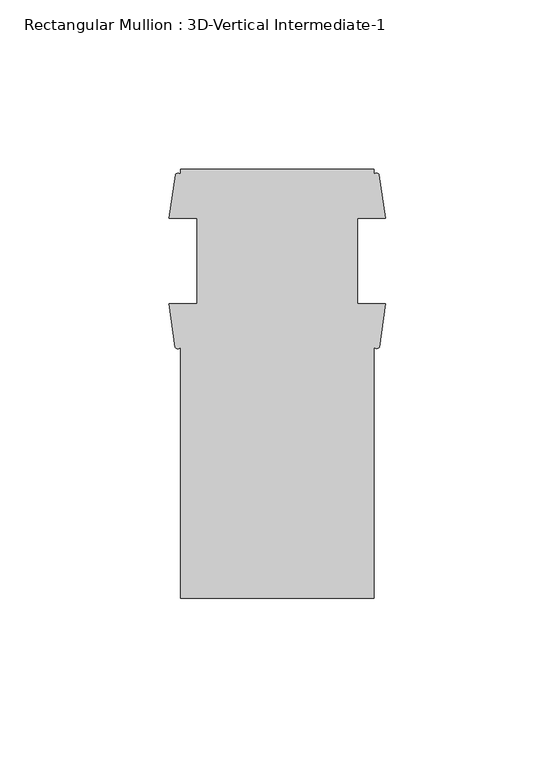
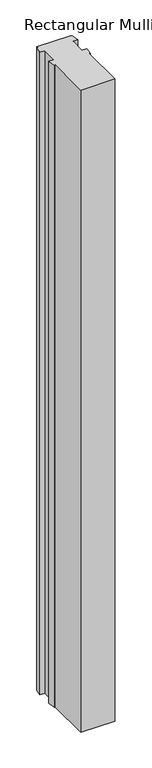
"""IFC4 building model written with IfcOpenShell, lengths in millimetres: member geometry, Rectangular Mullion : 3D-Vertical Intermediate-1."""

import ifcopenshell
import ifcopenshell.guid

model = None  # the IFC model being written
_history = None  # IfcOwnerHistory: only IFC2X3 demands one
_inside = {}  # id of a spatial element -> (the spatial element, [elements in it])
_under = {}  # id of a project, library or spatial element -> (it, [spatial elements below it])
_declared = {}  # id of a project -> (the project, [libraries it declares])
_typed = {}  # id of a type object -> (the type object, [elements of that type])
_made_of = {}  # id of a material, layer set ... -> (it, [elements and type objects made of it])


def new_model(schema):
    """Start an empty IFC model of exactly this schema.

    Asked for "IFC4X3", IfcOpenShell would pick the latest addendum, in which some entities
    have other attributes; the version numbers below select the first issue.
    IFC2X3 requires an IfcOwnerHistory on every rooted entity: one is made here for all.
    """
    global model, _history
    if schema == "IFC4X3":
        model = ifcopenshell.file(schema_version=(4, 3, 0, 0))
    else:
        model = ifcopenshell.file(schema=schema)
    _inside.clear()
    _under.clear()
    _declared.clear()
    _typed.clear()
    _made_of.clear()
    _history = None
    if model.schema == "IFC2X3":
        org = make("IfcOrganization", Name="unknown")
        user = make(
            "IfcPersonAndOrganization",
            ThePerson=make("IfcPerson", FamilyName="unknown"),
            TheOrganization=org,
        )
        app = make(
            "IfcApplication",
            ApplicationDeveloper=org,
            Version="unknown",
            ApplicationFullName="unknown",
            ApplicationIdentifier="unknown",
        )
        _history = make(
            "IfcOwnerHistory",
            OwningUser=user,
            OwningApplication=app,
            ChangeAction="ADDED",
            CreationDate=0,
        )
    return model


def make(cls, **values):
    """One entity of the class cls with the attributes given. An attribute that is None is left unset."""
    return model.create_entity(
        cls, **{name: value for name, value in values.items() if value is not None}
    )


def rooted(cls, **values):
    """An entity with a GlobalId (a new one), such as an element, a storey or a relation."""
    return make(cls, GlobalId=ifcopenshell.guid.new(), OwnerHistory=_history, **values)


def si_unit(unit_type, name, prefix=None):
    """IfcSIUnit, for example si_unit("LENGTHUNIT", "METRE", prefix="MILLI")."""
    return make("IfcSIUnit", UnitType=unit_type, Prefix=prefix, Name=name)


def assignment(units):
    """IfcUnitAssignment: the units of a project."""
    return None if units is None else make("IfcUnitAssignment", Units=units)


def point(xyz):
    """IfcCartesianPoint."""
    return None if xyz is None else make("IfcCartesianPoint", Coordinates=xyz)


def direction(xyz):
    """IfcDirection."""
    return None if xyz is None else make("IfcDirection", DirectionRatios=xyz)


def frame(location, z_axis=None, x_axis=None):
    """IfcAxis2Placement3D, a coordinate frame: its origin and axes. An axis left out is left unset."""
    return make(
        "IfcAxis2Placement3D",
        Location=point(location),
        Axis=direction(z_axis),
        RefDirection=direction(x_axis),
    )


def frame_2d(location, x_axis=None):
    """IfcAxis2Placement2D, a coordinate frame in the plane: its origin and x axis."""
    return make(
        "IfcAxis2Placement2D", Location=point(location), RefDirection=direction(x_axis)
    )


def origin():
    """The frame at (0, 0, 0) with its axes left unset."""
    return frame((0.0, 0.0, 0.0))


def place(relative_to, where):
    """IfcLocalPlacement: puts the frame where relative to a parent placement (None: the world)."""
    return make(
        "IfcLocalPlacement", PlacementRelTo=relative_to, RelativePlacement=where
    )


def context(
    kind, dimensions, precision=None, world=None, true_north=None, identifier=None
):
    """IfcGeometricRepresentationContext, for example the 3D "Model" context."""
    return make(
        "IfcGeometricRepresentationContext",
        ContextIdentifier=identifier,
        ContextType=kind,
        CoordinateSpaceDimension=dimensions,
        Precision=precision,
        WorldCoordinateSystem=world,
        TrueNorth=true_north,
    )


def project(units=None, contexts=None):
    """IfcProject with its units and contexts."""
    return rooted(
        "IfcProject",
        Name="project",
        RepresentationContexts=contexts,
        UnitsInContext=assignment(units),
    )


def spatial(cls, under=None, at=None, **own):
    """A site, building, storey or space (cls), placed at a placement, below another one or the project."""
    s = rooted(cls, ObjectPlacement=at, **own)
    if under is not None:
        _under.setdefault(under.id(), (under, []))[1].append(s)
    return s


def polyline(points):
    """IfcPolyline through the points."""
    return make("IfcPolyline", Points=[point(p) for p in points])


def circle_curve(where, radius):
    """IfcCircle in the frame where."""
    return make("IfcCircle", Position=where, Radius=radius)


def trimmed(basis, trim1, trim2, sense, master):
    """IfcTrimmedCurve: the piece of a basis curve between two trims."""
    return make(
        "IfcTrimmedCurve",
        BasisCurve=basis,
        Trim1=trim1,
        Trim2=trim2,
        SenseAgreement=sense,
        MasterRepresentation=master,
    )


def segment(curve, same_sense, transition):
    """IfcCompositeCurveSegment."""
    return make(
        "IfcCompositeCurveSegment",
        Transition=transition,
        SameSense=same_sense,
        ParentCurve=curve,
    )


def composite_curve(segments, self_intersect=None):
    """IfcCompositeCurve: segments joined end to end."""
    return make("IfcCompositeCurve", Segments=segments, SelfIntersect=self_intersect)


def outline(outer, holes=None, kind="AREA"):
    """IfcArbitraryClosedProfileDef: a profile drawn as a closed curve; with holes, ...WithVoids."""
    if holes is None:
        return make("IfcArbitraryClosedProfileDef", ProfileType=kind, OuterCurve=outer)
    return make(
        "IfcArbitraryProfileDefWithVoids",
        ProfileType=kind,
        OuterCurve=outer,
        InnerCurves=holes,
    )


def extrude(swept, where, along, depth):
    """IfcExtrudedAreaSolid: the profile swept, set in the frame where, extruded along a direction by depth."""
    return make(
        "IfcExtrudedAreaSolid",
        SweptArea=swept,
        Position=where,
        ExtrudedDirection=direction(along),
        Depth=depth,
    )


def shape(context_of_items, identifier, shape_type, items):
    """IfcShapeRepresentation: the items that make up one representation, for example the "Body"."""
    return make(
        "IfcShapeRepresentation",
        ContextOfItems=context_of_items,
        RepresentationIdentifier=identifier,
        RepresentationType=shape_type,
        Items=items,
    )


def source(mapping_origin, context_of_items, identifier, shape_type, items):
    """IfcRepresentationMap: a shape defined once, which mapped items show again and again."""
    return make(
        "IfcRepresentationMap",
        MappingOrigin=mapping_origin,
        MappedRepresentation=shape(context_of_items, identifier, shape_type, items),
    )


def transform(
    local_origin,
    x_axis=None,
    y_axis=None,
    z_axis=None,
    scale=None,
    scale2=None,
    scale3=None,
    uniform=True,
):
    """IfcCartesianTransformationOperator3D, or its non-uniform kind. x_axis, y_axis, z_axis: its Axis1, 2, 3."""
    if uniform:
        return make(
            "IfcCartesianTransformationOperator3D",
            Axis1=direction(x_axis),
            Axis2=direction(y_axis),
            LocalOrigin=point(local_origin),
            Scale=scale,
            Axis3=direction(z_axis),
        )
    return make(
        "IfcCartesianTransformationOperator3DnonUniform",
        Axis1=direction(x_axis),
        Axis2=direction(y_axis),
        LocalOrigin=point(local_origin),
        Scale=scale,
        Axis3=direction(z_axis),
        Scale2=scale2,
        Scale3=scale3,
    )


def mapped(mapping_source, mapping_target):
    """IfcMappedItem: shows the shape of a source again, moved by a transform."""
    return make(
        "IfcMappedItem", MappingSource=mapping_source, MappingTarget=mapping_target
    )


def made_of(thing, what):
    """Note that an element or type object is made of a material, layer set ...; save() writes the relation."""
    if what is not None:
        _made_of.setdefault(what.id(), (what, []))[1].append(thing)
    return thing


def element(
    cls,
    number,
    at=None,
    inside=None,
    cuts=None,
    type_object=None,
    material=None,
    context=None,
    identifier="Body",
    shape_type=None,
    held_by="IfcProductDefinitionShape",
    body=None,
    shapes=None,
    **own,
):
    """One element of the class cls, such as IfcWall. Its Tag is "e" and its number.

    at: its placement. inside: the storey or other place that contains it. cuts: it is an
    opening in that element (IfcRelVoidsElement). A single representation is given by context,
    identifier, shape_type and body (its items); several are given by shapes. held_by: the class
    of the entity that holds the representations. save() writes the other relations.
    """
    e = rooted(cls, Tag="e%d" % number, ObjectPlacement=at, **own)
    if body is not None:
        shapes = [shape(context, identifier, shape_type, body)]
    if shapes is not None:
        e.Representation = make(held_by, Representations=shapes)
    if inside is not None:
        _inside.setdefault(inside.id(), (inside, []))[1].append(e)
    if cuts is not None:
        rooted(
            "IfcRelVoidsElement", RelatingBuildingElement=cuts, RelatedOpeningElement=e
        )
    if type_object is not None:
        _typed.setdefault(type_object.id(), (type_object, []))[1].append(e)
    return made_of(e, material)


def aggregate(whole, parts):
    """IfcRelAggregates: a whole, such as a stair, and the parts it consists of."""
    return rooted("IfcRelAggregates", RelatingObject=whole, RelatedObjects=parts)


def save(model, path):
    """Write the relations noted so far, then the file.

    IfcRelAggregates (storeys below a building ...), IfcRelContainedInSpatialStructure (elements
    in a storey), IfcRelDefinesByType, IfcRelAssociatesMaterial and IfcRelDeclares: one each for
    every whole, place, type object, material and project.
    """
    for whole, parts in _under.values():
        aggregate(whole, parts)
    for where, things in _inside.values():
        rooted(
            "IfcRelContainedInSpatialStructure",
            RelatedElements=things,
            RelatingStructure=where,
        )
    for kind, things in _typed.values():
        rooted("IfcRelDefinesByType", RelatedObjects=things, RelatingType=kind)
    for what, things in _made_of.values():
        rooted("IfcRelAssociatesMaterial", RelatedObjects=things, RelatingMaterial=what)
    for by, libraries in _declared.values():
        rooted("IfcRelDeclares", RelatingContext=by, RelatedDefinitions=libraries)
    model.write(path)


def rectangular_mullion_3d_vertical_intermediate_1_599c8c30(model_context):
    return source(origin(), model_context, "Body", "SweptSolid", [
        extrude(outline(composite_curve([segment(polyline([(-28.575, -73.025), (-28.575, 1.2984222)]), True, "CONTINUOUS"), segment(trimmed(circle_curve(frame_2d((-29.4067022, 1.834513)), 0.9895059), [point((-28.575, 1.2984222))], [point((-30.2384044, 1.2984222))], False, "CARTESIAN"), True, "CONTINUOUS"), segment(polyline([(-30.2384044, 1.2984222), (-32.0945217, 14.071475), (-23.8125, 14.071475), (-23.8125, 39.471475), (-31.971, 39.471475), (-30.1608963, 52.2427625)]), True, "CONTINUOUS"), segment(trimmed(circle_curve(frame_2d((-29.3679481, 51.7698358)), 0.9232694), [point((-30.1608963, 52.2427625))], [point((-28.575, 52.2427625))], False, "CARTESIAN"), True, "CONTINUOUS"), segment(polyline([(-28.575, 52.2427625), (-28.575, 53.975), (28.575, 53.975), (28.575, 52.2427625)]), True, "CONTINUOUS"), segment(trimmed(circle_curve(frame_2d((29.3679481, 51.7864126)), 0.914889), [point((28.575, 52.2427625))], [point((30.1608963, 52.2427625))], False, "CARTESIAN"), True, "CONTINUOUS"), segment(polyline([(30.1608963, 52.2427625), (31.971, 39.471475), (23.8125, 39.471475), (23.8125, 14.071475), (32.0945217, 14.071475), (30.2384044, 1.2984222)]), True, "CONTINUOUS"), segment(trimmed(circle_curve(frame_2d((29.4067022, 1.8757809)), 1.0124582), [point((30.2384044, 1.2984222))], [point((28.575, 1.2984222))], False, "CARTESIAN"), True, "CONTINUOUS"), segment(polyline([(28.575, 1.2984222), (28.575, -73.025), (-28.575, -73.025)]), True, "CONTINUOUS")], self_intersect=False)), frame((0.0, 0.0, -1143.0000003), z_axis=(0.0, 0.0, 1.0), x_axis=(1.0, 0.0, 0.0)), (0.0, 0.0, 1.0), 1143.0000003),
    ])


if __name__ == "__main__":
    model = new_model("IFC4")
    model_context = context("Model", 3, world=origin())
    ifc_project = project(units=[si_unit("LENGTHUNIT", "METRE", prefix="MILLI")], contexts=[model_context])
    site = spatial("IfcSite", under=ifc_project)
    building = spatial("IfcBuilding", under=site)
    placement = place(None, origin())
    rectangular_mullion_3d_vertical_intermediate_1_shape = rectangular_mullion_3d_vertical_intermediate_1_599c8c30(model_context)
    element("IfcMember", 1, ObjectType="Rectangular Mullion : 3D-Vertical Intermediate-1", at=placement, inside=building, context=model_context, shape_type="MappedRepresentation", body=[
        mapped(rectangular_mullion_3d_vertical_intermediate_1_shape, transform((0.0, 0.0, 0.0), x_axis=(1.0, 0.0, 0.0), y_axis=(0.0, 1.0, 0.0), z_axis=(0.0, 0.0, 1.0))),
    ])
    save(model, "model.ifc")
